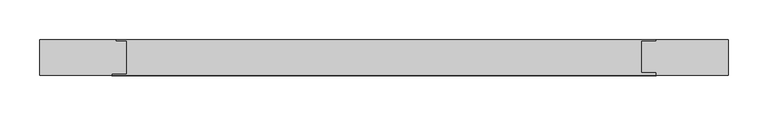
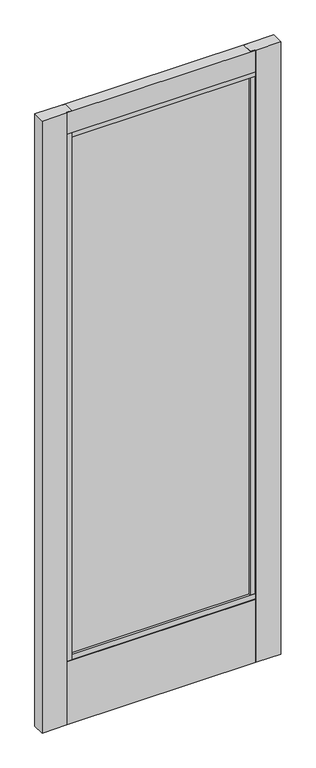
"""IFC4 building model written with IfcOpenShell, lengths in millimetres: plate geometry."""

from ifc_helpers import new_model, si_unit, frame, origin, place, context, project, spatial, polyline, outline, extrude, source, transform, mapped, element, save


def plate_937283bb(model_context):
    return source(origin(), model_context, "Body", "SweptSolid", [
        extrude(outline(polyline([(-431.2202987, 25.4), (-335.9601831, 25.4), (-335.9601831, 23.8401195), (-323.2601831, 23.8401195), (-323.2601831, -17.1804584), (-341.2493293, -17.1804584), (-341.2493293, -19.05), (-431.2202987, -19.05), (-431.2202987, 25.4)])), frame((0.0, 0.0, 17.4625), z_axis=(0.0, 0.0, 1.0), x_axis=(1.0, 0.0, 0.0)), (0.0, 0.0, 1.0), 2337.9674291),
        extrude(outline(polyline([(-336.9408656, -6.9763582), (-336.9408656, 7.3111418), (333.2108777, 7.3111418), (333.2108777, -6.9763582), (-336.9408656, -6.9763582)])), frame((0.0, 0.0, 263.906), z_axis=(0.0, 0.0, 1.0), x_axis=(1.0, 0.0, 0.0)), (0.0, 0.0, 1.0), 2004.4994055),
        extrude(outline(polyline([(431.2202987, 25.4), (431.2202987, -19.05), (341.1298353, -19.05), (341.1298353, -14.9447968), (323.1305735, -14.9447968), (323.1305735, 23.8401195), (341.1298353, 23.8401195), (341.1298353, 25.4), (431.2202987, 25.4)])), frame((0.0, 0.0, 17.4625), z_axis=(0.0, 0.0, 1.0), x_axis=(1.0, 0.0, 0.0)), (0.0, 0.0, 1.0), 2337.9674291),
        extrude(outline(polyline([(-19.05, 2355.4299291), (25.4, 2355.4299291), (25.4, 2273.1706995), (23.8401195, 2273.1706995), (23.8401195, 2254.1179055), (-17.1804584, 2254.1179055), (-17.1804584, 2273.1706995), (-19.05, 2273.1706995), (-19.05, 2355.4299291)])), frame((-341.2493293, 0.0, 0.0), z_axis=(1.0, 0.0, 0.0), x_axis=(0.0, 1.0, 0.0)), (0.0, 0.0, 1.0), 682.3791645),
        extrude(outline(polyline([(-17.1804584, 277.8125), (23.8401195, 277.8125), (23.8401195, 258.7303916), (25.4, 258.7303916), (25.4, 17.4625), (-19.05, 17.4625), (-19.05, 258.7303916), (-17.1804584, 258.7303916), (-17.1804584, 277.8125)])), frame((-341.2493293, 0.0, 0.0), z_axis=(1.0, 0.0, 0.0), x_axis=(0.0, 1.0, 0.0)), (0.0, 0.0, 1.0), 682.3791645),
    ])


if __name__ == "__main__":
    model = new_model("IFC4")
    model_context = context("Model", 3, world=origin())
    ifc_project = project(units=[si_unit("LENGTHUNIT", "METRE", prefix="MILLI")], contexts=[model_context])
    site = spatial("IfcSite", under=ifc_project)
    building = spatial("IfcBuilding", under=site)
    placement = place(None, origin())
    plate_shape = plate_937283bb(model_context)
    element("IfcPlate", 1, at=placement, inside=building, context=model_context, shape_type="MappedRepresentation", body=[
        mapped(plate_shape, transform((0.0, 0.0, 0.0), x_axis=(1.0, 0.0, 0.0), y_axis=(0.0, 1.0, 0.0), z_axis=(0.0, 0.0, 1.0))),
    ])
    save(model, "model.ifc")
